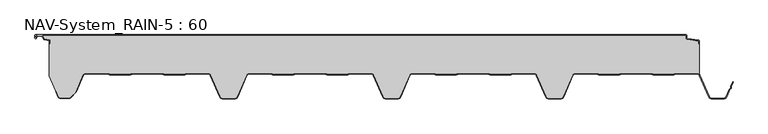
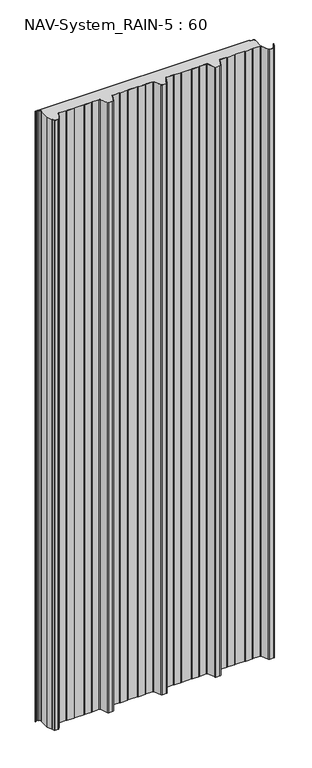
"""IFC4 building model written with IfcOpenShell, lengths in millimetres: plate geometry, NAV-System_RAIN-5 : 60."""

from ifc_helpers import new_model, si_unit, point, frame_2d, origin, origin_with_axes, place, context, project, spatial, polyline, circle_curve, trimmed, segment, composite_curve, outline, extrude, source, transform, mapped, element, save


def nav_system_rain_5_60_1857efdf(model_context):
    return source(origin(), model_context, "Body", "SweptSolid", [
        extrude(outline(composite_curve([segment(polyline([(519.0, -13.6767555), (518.2, -13.6767555), (518.2, -9.3721283), (500.4911207, -6.8818536)]), True, "CONTINUOUS"), segment(trimmed(circle_curve(frame_2d((500.7, -5.3964683)), 1.5), [point((500.4911207, -6.8818536))], [point((499.2, -5.3964683))], False, "CARTESIAN"), True, "CONTINUOUS"), segment(polyline([(499.2, -5.3964683), (499.2, -0.8), (-498.7, -0.8)]), True, "CONTINUOUS"), segment(trimmed(circle_curve(frame_2d((-498.7, -1.3)), 0.5), [point((-498.7, -0.8))], [point((-499.2, -1.3))], True, "CARTESIAN"), True, "CONTINUOUS"), segment(polyline([(-499.2, -1.3), (-499.2, -4.3700191)]), True, "CONTINUOUS"), segment(trimmed(circle_curve(frame_2d((-498.7, -4.3700191)), 0.5), [point((-499.2, -4.3700191))], [point((-498.2669873, -4.6200191))], True, "CARTESIAN"), True, "CONTINUOUS"), segment(polyline([(-498.2669873, -4.6200191), (-496.2924383, -1.2), (-488.9841833, -1.2), (-485.8164586, -6.6866602), (-477.2, -7.898332), (-477.2, -13.6767555), (-478.0, -13.6767555), (-478.0, -8.5937048), (-485.6863953, -7.5128213)]), True, "CONTINUOUS"), segment(trimmed(circle_curve(frame_2d((-485.5053666, -6.2254873)), 1.3), [point((-485.6863953, -7.5128213))], [point((-486.6311996, -6.8754873))], False, "CARTESIAN"), True, "CONTINUOUS"), segment(polyline([(-486.6311996, -6.8754873), (-489.4460636, -2.0), (-495.8305581, -2.0), (-497.574167, -5.0200191)]), True, "CONTINUOUS"), segment(trimmed(circle_curve(frame_2d((-498.7, -4.3700191)), 1.3), [point((-497.574167, -5.0200191))], [point((-500.0, -4.3700191))], False, "CARTESIAN"), True, "CONTINUOUS"), segment(polyline([(-500.0, -4.3700191), (-500.0, -1.3)]), True, "CONTINUOUS"), segment(trimmed(circle_curve(frame_2d((-498.7, -1.3)), 1.3), [point((-500.0, -1.3))], [point((-498.7, 0.0))], False, "CARTESIAN"), True, "CONTINUOUS"), segment(polyline([(-498.7, 0.0), (498.7, 0.0)]), True, "CONTINUOUS"), segment(trimmed(circle_curve(frame_2d((498.7, -1.3)), 1.3), [point((498.7, 0.0))], [point((500.0, -1.3))], False, "CARTESIAN"), True, "CONTINUOUS"), segment(polyline([(500.0, -1.3), (500.0, -5.3964683)]), True, "CONTINUOUS"), segment(trimmed(circle_curve(frame_2d((500.7, -5.3964683)), 0.7), [point((500.0, -5.3964683))], [point((500.602523, -6.0896481))], True, "CARTESIAN"), True, "CONTINUOUS"), segment(polyline([(500.602523, -6.0896481), (517.8810287, -8.5194024)]), True, "CONTINUOUS"), segment(trimmed(circle_curve(frame_2d((517.7, -9.8067363)), 1.3), [point((517.8810287, -8.5194024))], [point((519.0, -9.8067363))], False, "CARTESIAN"), True, "CONTINUOUS"), segment(polyline([(519.0, -9.8067363), (519.0, -13.6767555)]), True, "CONTINUOUS")], self_intersect=False)), origin_with_axes(), (0.0, 0.0, 1.0), 3000.0),
        extrude(outline(composite_curve([segment(trimmed(circle_curve(frame_2d((515.5898022, -64.0)), 4.8), [point((519.0, -60.6220493))], [point((515.5898022, -59.2))], True, "CARTESIAN"), True, "CONTINUOUS"), segment(polyline([(515.5898022, -59.2), (483.6922468, -59.2), (479.6508228, -60.7), (448.0723788, -60.6741102), (444.1768702, -59.2), (400.3589135, -59.2), (396.3174895, -60.7), (364.7390455, -60.6741102), (360.8435369, -59.2), (328.9416341, -59.2)]), True, "CONTINUOUS"), segment(trimmed(circle_curve(frame_2d((328.9416341, -64.0)), 4.8), [point((328.9416341, -59.2))], [point((324.5314363, -62.1052295))], True, "CARTESIAN"), True, "CONTINUOUS"), segment(polyline([(324.5314363, -62.1052295), (310.330878, -95.1579242)]), True, "CONTINUOUS"), segment(trimmed(circle_curve(frame_2d((306.4719549, -93.5)), 4.2), [point((310.330878, -95.1579242))], [point((306.4719549, -97.7))], False, "CARTESIAN"), True, "CONTINUOUS"), segment(polyline([(306.4719549, -97.7), (288.0594814, -97.7)]), True, "CONTINUOUS"), segment(trimmed(circle_curve(frame_2d((288.0594814, -93.5)), 4.2), [point((288.0594814, -97.7))], [point((284.2005583, -95.1579242))], False, "CARTESIAN"), True, "CONTINUOUS"), segment(polyline([(284.2005583, -95.1579242), (270.0, -62.1052295)]), True, "CONTINUOUS"), segment(trimmed(circle_curve(frame_2d((265.5898022, -64.0)), 4.8), [point((270.0, -62.1052295))], [point((265.5898022, -59.2))], True, "CARTESIAN"), True, "CONTINUOUS"), segment(polyline([(265.5898022, -59.2), (233.6922468, -59.2), (229.6508228, -60.7), (198.0723788, -60.6741102), (194.1768702, -59.2), (150.3589135, -59.2), (146.3174895, -60.7), (114.8074622, -60.7), (110.8435369, -59.2), (78.9416341, -59.2)]), True, "CONTINUOUS"), segment(trimmed(circle_curve(frame_2d((78.9416341, -64.0)), 4.8), [point((78.9416341, -59.2))], [point((74.5314363, -62.1052295))], True, "CARTESIAN"), True, "CONTINUOUS"), segment(polyline([(74.5314363, -62.1052295), (60.330878, -95.1579242)]), True, "CONTINUOUS"), segment(trimmed(circle_curve(frame_2d((56.4719549, -93.5)), 4.2), [point((60.330878, -95.1579242))], [point((56.4719549, -97.7))], False, "CARTESIAN"), True, "CONTINUOUS"), segment(polyline([(56.4719549, -97.7), (38.0594814, -97.7)]), True, "CONTINUOUS"), segment(trimmed(circle_curve(frame_2d((38.0594814, -93.5)), 4.2), [point((38.0594814, -97.7))], [point((34.2005583, -95.1579242))], False, "CARTESIAN"), True, "CONTINUOUS"), segment(polyline([(34.2005583, -95.1579242), (20.0, -62.1052295)]), True, "CONTINUOUS"), segment(trimmed(circle_curve(frame_2d((15.5898022, -64.0)), 4.8), [point((20.0, -62.1052295))], [point((15.5898022, -59.2))], True, "CARTESIAN"), True, "CONTINUOUS"), segment(polyline([(15.5898022, -59.2), (-16.3077532, -59.2), (-20.3491772, -60.7), (-51.9276212, -60.6741102), (-55.8231298, -59.2), (-99.6410865, -59.2), (-103.6825105, -60.7), (-135.1925378, -60.7), (-139.1564631, -59.2), (-171.0583659, -59.2)]), True, "CONTINUOUS"), segment(trimmed(circle_curve(frame_2d((-171.0583659, -64.0)), 4.8), [point((-171.0583659, -59.2))], [point((-175.4685637, -62.1052295))], True, "CARTESIAN"), True, "CONTINUOUS"), segment(polyline([(-175.4685637, -62.1052295), (-189.669122, -95.1579242)]), True, "CONTINUOUS"), segment(trimmed(circle_curve(frame_2d((-193.5280451, -93.5)), 4.2), [point((-189.669122, -95.1579242))], [point((-193.5280451, -97.7))], False, "CARTESIAN"), True, "CONTINUOUS"), segment(polyline([(-193.5280451, -97.7), (-211.9405186, -97.7)]), True, "CONTINUOUS"), segment(trimmed(circle_curve(frame_2d((-211.9405186, -93.5)), 4.2), [point((-211.9405186, -97.7))], [point((-215.7994417, -95.1579242))], False, "CARTESIAN"), True, "CONTINUOUS"), segment(polyline([(-215.7994417, -95.1579242), (-230.0, -62.1052295)]), True, "CONTINUOUS"), segment(trimmed(circle_curve(frame_2d((-234.4101978, -64.0)), 4.8), [point((-230.0, -62.1052295))], [point((-234.4101978, -59.2))], True, "CARTESIAN"), True, "CONTINUOUS"), segment(polyline([(-234.4101978, -59.2), (-266.3077532, -59.2), (-270.3491772, -60.7), (-301.9276212, -60.6741102), (-305.8231298, -59.2), (-349.6410865, -59.2), (-353.6825105, -60.7), (-385.1925378, -60.7), (-389.1564631, -59.2), (-421.9290751, -59.2)]), True, "CONTINUOUS"), segment(trimmed(circle_curve(frame_2d((-421.9290751, -64.0)), 4.8), [point((-421.9290751, -59.2))], [point((-426.3392729, -62.1052295))], True, "CARTESIAN"), True, "CONTINUOUS"), segment(polyline([(-426.3392729, -62.1052295), (-437.4245651, -87.9069459)]), True, "CONTINUOUS"), segment(trimmed(circle_curve(frame_2d((-441.2834882, -86.2490217)), 4.2), [point((-437.4245651, -87.9069459))], [point((-438.3136397, -89.2188701))], False, "CARTESIAN"), True, "CONTINUOUS"), segment(polyline([(-438.3136397, -89.2188701), (-444.764618, -95.6698485)]), True, "CONTINUOUS"), segment(trimmed(circle_curve(frame_2d((-447.7344665, -92.7)), 4.2), [point((-444.764618, -95.6698485))], [point((-447.7344665, -96.9))], False, "CARTESIAN"), True, "CONTINUOUS"), segment(polyline([(-447.7344665, -96.9), (-461.1405186, -96.9)]), True, "CONTINUOUS"), segment(trimmed(circle_curve(frame_2d((-461.1405186, -93.7)), 3.2), [point((-461.1405186, -96.9))], [point((-464.1022482, -94.9116756))], False, "CARTESIAN"), True, "CONTINUOUS"), segment(polyline([(-464.1022482, -94.9116756), (-467.6292254, -86.2905951), (-468.3696578, -86.593514), (-478.0, -63.053822), (-478.0, -13.6767555), (-477.2, -13.6767555), (-477.2, -7.898332), (-485.8164586, -6.6866602), (-488.9841833, -1.2), (-496.2924383, -1.2), (-498.2669873, -4.6200191)]), True, "CONTINUOUS"), segment(trimmed(circle_curve(frame_2d((-498.7, -4.3700191)), 0.5), [point((-498.2669873, -4.6200191))], [point((-499.2, -4.3700191))], False, "CARTESIAN"), True, "CONTINUOUS"), segment(polyline([(-499.2, -4.3700191), (-499.2, -1.3)]), True, "CONTINUOUS"), segment(trimmed(circle_curve(frame_2d((-498.7, -1.3)), 0.5), [point((-499.2, -1.3))], [point((-498.7, -0.8))], False, "CARTESIAN"), True, "CONTINUOUS"), segment(polyline([(-498.7, -0.8), (499.2, -0.8), (499.2, -5.3964683)]), True, "CONTINUOUS"), segment(trimmed(circle_curve(frame_2d((500.7, -5.3964683)), 1.5), [point((499.2, -5.3964683))], [point((500.4911207, -6.8818536))], True, "CARTESIAN"), True, "CONTINUOUS"), segment(polyline([(500.4911207, -6.8818536), (518.2, -9.3721283), (518.2, -13.6767555), (519.0, -13.6767555), (519.0, -60.6220493)]), True, "CONTINUOUS")], self_intersect=False)), origin_with_axes(), (0.0, 0.0, 1.0), 3000.0),
        extrude(outline(composite_curve([segment(polyline([(-464.8430228, -95.2145945), (-468.37, -86.593514), (-467.6295676, -86.2905951), (-464.1025904, -94.9116756)]), True, "CONTINUOUS"), segment(trimmed(circle_curve(frame_2d((-461.1408608, -93.7)), 3.2), [point((-464.1025904, -94.9116756))], [point((-461.1408608, -96.9))], True, "CARTESIAN"), True, "CONTINUOUS"), segment(polyline([(-461.1408608, -96.9), (-447.7348087, -96.9)]), True, "CONTINUOUS"), segment(trimmed(circle_curve(frame_2d((-447.7348087, -92.7)), 4.2), [point((-447.7348087, -96.9))], [point((-444.7649603, -95.6698485))], True, "CARTESIAN"), True, "CONTINUOUS"), segment(polyline([(-444.7649603, -95.6698485), (-438.3139819, -89.2188701)]), True, "CONTINUOUS"), segment(trimmed(circle_curve(frame_2d((-441.2838304, -86.2490217)), 4.2), [point((-438.3139819, -89.2188701))], [point((-437.4249073, -87.9069459))], True, "CARTESIAN"), True, "CONTINUOUS"), segment(polyline([(-437.4249073, -87.9069459), (-426.3396151, -62.1052295)]), True, "CONTINUOUS"), segment(trimmed(circle_curve(frame_2d((-421.9294173, -64.0)), 4.8), [point((-426.3396151, -62.1052295))], [point((-421.9294173, -59.2))], False, "CARTESIAN"), True, "CONTINUOUS"), segment(polyline([(-421.9294173, -59.2), (-389.1568054, -59.2), (-385.19288, -60.7), (-353.6828527, -60.7), (-349.6414287, -59.2), (-305.8234721, -59.2), (-301.9279634, -60.6741102), (-270.3495194, -60.7), (-266.3080954, -59.2), (-234.41054, -59.2)]), True, "CONTINUOUS"), segment(trimmed(circle_curve(frame_2d((-234.41054, -64.0)), 4.8), [point((-234.41054, -59.2))], [point((-230.0003422, -62.1052295))], False, "CARTESIAN"), True, "CONTINUOUS"), segment(polyline([(-230.0003422, -62.1052295), (-215.7997839, -95.1579242)]), True, "CONTINUOUS"), segment(trimmed(circle_curve(frame_2d((-211.9408608, -93.5)), 4.2), [point((-215.7997839, -95.1579242))], [point((-211.9408608, -97.7))], True, "CARTESIAN"), True, "CONTINUOUS"), segment(polyline([(-211.9408608, -97.7), (-193.5283873, -97.7)]), True, "CONTINUOUS"), segment(trimmed(circle_curve(frame_2d((-193.5283873, -93.5)), 4.2), [point((-193.5283873, -97.7))], [point((-189.6694642, -95.1579242))], True, "CARTESIAN"), True, "CONTINUOUS"), segment(polyline([(-189.6694642, -95.1579242), (-175.4689059, -62.1052295)]), True, "CONTINUOUS"), segment(trimmed(circle_curve(frame_2d((-171.0587081, -64.0)), 4.8), [point((-175.4689059, -62.1052295))], [point((-171.0587081, -59.2))], False, "CARTESIAN"), True, "CONTINUOUS"), segment(polyline([(-171.0587081, -59.2), (-139.1568054, -59.2), (-135.2612967, -60.6741102), (-103.6828527, -60.7), (-99.6414287, -59.2), (-55.8234721, -59.2), (-51.9279634, -60.6741102), (-20.3495194, -60.7), (-16.3080954, -59.2), (15.58946, -59.2)]), True, "CONTINUOUS"), segment(trimmed(circle_curve(frame_2d((15.58946, -64.0)), 4.8), [point((15.58946, -59.2))], [point((19.9996578, -62.1052295))], False, "CARTESIAN"), True, "CONTINUOUS"), segment(polyline([(19.9996578, -62.1052295), (34.2002161, -95.1579242)]), True, "CONTINUOUS"), segment(trimmed(circle_curve(frame_2d((38.0591392, -93.5)), 4.2), [point((34.2002161, -95.1579242))], [point((38.0591392, -97.7))], True, "CARTESIAN"), True, "CONTINUOUS"), segment(polyline([(38.0591392, -97.7), (56.4716127, -97.7)]), True, "CONTINUOUS"), segment(trimmed(circle_curve(frame_2d((56.4716127, -93.5)), 4.2), [point((56.4716127, -97.7))], [point((60.3305358, -95.1579242))], True, "CARTESIAN"), True, "CONTINUOUS"), segment(polyline([(60.3305358, -95.1579242), (74.5310941, -62.1052295)]), True, "CONTINUOUS"), segment(trimmed(circle_curve(frame_2d((78.9412919, -64.0)), 4.8), [point((74.5310941, -62.1052295))], [point((78.9412919, -59.2))], False, "CARTESIAN"), True, "CONTINUOUS"), segment(polyline([(78.9412919, -59.2), (110.8431946, -59.2), (114.7387033, -60.6741102), (146.3171473, -60.7), (150.3585713, -59.2), (194.1765279, -59.2), (198.0720366, -60.6741102), (229.6504806, -60.7), (233.6919046, -59.2), (265.58946, -59.2)]), True, "CONTINUOUS"), segment(trimmed(circle_curve(frame_2d((265.58946, -64.0)), 4.8), [point((265.58946, -59.2))], [point((269.9996578, -62.1052295))], False, "CARTESIAN"), True, "CONTINUOUS"), segment(polyline([(269.9996578, -62.1052295), (284.2002161, -95.1579242)]), True, "CONTINUOUS"), segment(trimmed(circle_curve(frame_2d((288.0591392, -93.5)), 4.2), [point((284.2002161, -95.1579242))], [point((288.0591392, -97.7))], True, "CARTESIAN"), True, "CONTINUOUS"), segment(polyline([(288.0591392, -97.7), (306.4716127, -97.7)]), True, "CONTINUOUS"), segment(trimmed(circle_curve(frame_2d((306.4716127, -93.5)), 4.2), [point((306.4716127, -97.7))], [point((310.3305358, -95.1579242))], True, "CARTESIAN"), True, "CONTINUOUS"), segment(polyline([(310.3305358, -95.1579242), (324.5310941, -62.1052295)]), True, "CONTINUOUS"), segment(trimmed(circle_curve(frame_2d((328.9412919, -64.0)), 4.8), [point((324.5310941, -62.1052295))], [point((328.9412919, -59.2))], False, "CARTESIAN"), True, "CONTINUOUS"), segment(polyline([(328.9412919, -59.2), (360.8431946, -59.2), (364.7387033, -60.6741102), (396.3171473, -60.7), (400.3585713, -59.2), (444.1765279, -59.2), (448.0720366, -60.6741102), (479.6504806, -60.7), (483.6919046, -59.2), (515.58946, -59.2)]), True, "CONTINUOUS"), segment(trimmed(circle_curve(frame_2d((515.58946, -64.0)), 4.8), [point((515.58946, -59.2))], [point((519.9996578, -62.1052295))], False, "CARTESIAN"), True, "CONTINUOUS"), segment(polyline([(519.9996578, -62.1052295), (534.2002161, -95.1579242)]), True, "CONTINUOUS"), segment(trimmed(circle_curve(frame_2d((538.0591392, -93.5)), 4.2), [point((534.2002161, -95.1579242))], [point((538.0591392, -97.7))], True, "CARTESIAN"), True, "CONTINUOUS"), segment(polyline([(538.0591392, -97.7), (556.4716127, -97.7)]), True, "CONTINUOUS"), segment(trimmed(circle_curve(frame_2d((556.4716127, -93.5)), 4.2), [point((556.4716127, -97.7))], [point((560.3305358, -95.1579242))], True, "CARTESIAN"), True, "CONTINUOUS"), segment(polyline([(560.3305358, -95.1579242), (565.2356202, -83.741031), (567.1121268, -82.0654564), (567.0358547, -79.5508717), (570.0831709, -72.458051), (570.8182039, -72.7738461), (567.8408612, -79.703799), (567.9230626, -82.4138642), (565.9006789, -84.2196957), (561.0655687, -95.4737193)]), True, "CONTINUOUS"), segment(trimmed(circle_curve(frame_2d((556.4716127, -93.5)), 5.0), [point((561.0655687, -95.4737193))], [point((556.4716127, -98.5))], False, "CARTESIAN"), True, "CONTINUOUS"), segment(polyline([(556.4716127, -98.5), (538.0591392, -98.5)]), True, "CONTINUOUS"), segment(trimmed(circle_curve(frame_2d((538.0591392, -93.5)), 5.0), [point((538.0591392, -98.5))], [point((533.4651831, -95.4737193))], False, "CARTESIAN"), True, "CONTINUOUS"), segment(polyline([(533.4651831, -95.4737193), (519.2646248, -62.4210246)]), True, "CONTINUOUS"), segment(trimmed(circle_curve(frame_2d((515.58946, -64.0)), 4.0), [point((519.2646248, -62.4210246))], [point((515.58946, -60.0))], True, "CARTESIAN"), True, "CONTINUOUS"), segment(polyline([(515.58946, -60.0), (483.8338601, -60.0), (479.8699347, -61.5), (447.9941505, -61.5), (444.0302251, -60.0), (400.5005268, -60.0), (396.5366014, -61.5), (364.6608172, -61.5), (360.6968918, -60.0), (328.9412919, -60.0)]), True, "CONTINUOUS"), segment(trimmed(circle_curve(frame_2d((328.9412919, -64.0)), 4.0), [point((328.9412919, -60.0))], [point((325.2661271, -62.4210246))], True, "CARTESIAN"), True, "CONTINUOUS"), segment(polyline([(325.2661271, -62.4210246), (311.0655687, -95.4737193)]), True, "CONTINUOUS"), segment(trimmed(circle_curve(frame_2d((306.4716127, -93.5)), 5.0), [point((311.0655687, -95.4737193))], [point((306.4716127, -98.5))], False, "CARTESIAN"), True, "CONTINUOUS"), segment(polyline([(306.4716127, -98.5), (288.0591392, -98.5)]), True, "CONTINUOUS"), segment(trimmed(circle_curve(frame_2d((288.0591392, -93.5)), 5.0), [point((288.0591392, -98.5))], [point((283.4651831, -95.4737193))], False, "CARTESIAN"), True, "CONTINUOUS"), segment(polyline([(283.4651831, -95.4737193), (269.2646248, -62.4210246)]), True, "CONTINUOUS"), segment(trimmed(circle_curve(frame_2d((265.58946, -64.0)), 4.0), [point((269.2646248, -62.4210246))], [point((265.58946, -60.0))], True, "CARTESIAN"), True, "CONTINUOUS"), segment(polyline([(265.58946, -60.0), (233.8338601, -60.0), (229.8699347, -61.5), (197.9941505, -61.5), (194.0302251, -60.0), (150.5005268, -60.0), (146.5366014, -61.5), (114.6608172, -61.5), (110.6968918, -60.0), (78.9412919, -60.0)]), True, "CONTINUOUS"), segment(trimmed(circle_curve(frame_2d((78.9412919, -64.0)), 4.0), [point((78.9412919, -60.0))], [point((75.2661271, -62.4210246))], True, "CARTESIAN"), True, "CONTINUOUS"), segment(polyline([(75.2661271, -62.4210246), (61.0655687, -95.4737193)]), True, "CONTINUOUS"), segment(trimmed(circle_curve(frame_2d((56.4716127, -93.5)), 5.0), [point((61.0655687, -95.4737193))], [point((56.4716127, -98.5))], False, "CARTESIAN"), True, "CONTINUOUS"), segment(polyline([(56.4716127, -98.5), (38.0591392, -98.5)]), True, "CONTINUOUS"), segment(trimmed(circle_curve(frame_2d((38.0591392, -93.5)), 5.0), [point((38.0591392, -98.5))], [point((33.4651831, -95.4737193))], False, "CARTESIAN"), True, "CONTINUOUS"), segment(polyline([(33.4651831, -95.4737193), (19.2646248, -62.4210246)]), True, "CONTINUOUS"), segment(trimmed(circle_curve(frame_2d((15.58946, -64.0)), 4.0), [point((19.2646248, -62.4210246))], [point((15.58946, -60.0))], True, "CARTESIAN"), True, "CONTINUOUS"), segment(polyline([(15.58946, -60.0), (-16.1661399, -60.0), (-20.1300653, -61.5), (-52.0058495, -61.5), (-55.9697749, -60.0), (-99.4994732, -60.0), (-103.4633986, -61.5), (-135.3391828, -61.5), (-139.3031082, -60.0), (-171.0587081, -60.0)]), True, "CONTINUOUS"), segment(trimmed(circle_curve(frame_2d((-171.0587081, -64.0)), 4.0), [point((-171.0587081, -60.0))], [point((-174.7338729, -62.4210246))], True, "CARTESIAN"), True, "CONTINUOUS"), segment(polyline([(-174.7338729, -62.4210246), (-188.9344313, -95.4737193)]), True, "CONTINUOUS"), segment(trimmed(circle_curve(frame_2d((-193.5283873, -93.5)), 5.0), [point((-188.9344313, -95.4737193))], [point((-193.5283873, -98.5))], False, "CARTESIAN"), True, "CONTINUOUS"), segment(polyline([(-193.5283873, -98.5), (-211.9408608, -98.5)]), True, "CONTINUOUS"), segment(trimmed(circle_curve(frame_2d((-211.9408608, -93.5)), 5.0), [point((-211.9408608, -98.5))], [point((-216.5348169, -95.4737193))], False, "CARTESIAN"), True, "CONTINUOUS"), segment(polyline([(-216.5348169, -95.4737193), (-230.7353752, -62.4210246)]), True, "CONTINUOUS"), segment(trimmed(circle_curve(frame_2d((-234.41054, -64.0)), 4.0), [point((-230.7353752, -62.4210246))], [point((-234.41054, -60.0))], True, "CARTESIAN"), True, "CONTINUOUS"), segment(polyline([(-234.41054, -60.0), (-266.1661399, -60.0), (-270.1300653, -61.5), (-302.0058495, -61.5), (-305.9697749, -60.0), (-349.4994732, -60.0), (-353.4633986, -61.5), (-385.3391828, -61.5), (-389.3031082, -60.0), (-421.9294173, -60.0)]), True, "CONTINUOUS"), segment(trimmed(circle_curve(frame_2d((-421.9294173, -64.0)), 4.0), [point((-421.9294173, -60.0))], [point((-425.6045822, -62.4210246))], True, "CARTESIAN"), True, "CONTINUOUS"), segment(polyline([(-425.6045822, -62.4210246), (-436.6898744, -88.2227409)]), True, "CONTINUOUS"), segment(trimmed(circle_curve(frame_2d((-441.2838304, -86.2490217)), 5.0), [point((-436.6898744, -88.2227409))], [point((-437.7482965, -89.7845556))], False, "CARTESIAN"), True, "CONTINUOUS"), segment(polyline([(-437.7482965, -89.7845556), (-444.1992748, -96.2355339)]), True, "CONTINUOUS"), segment(trimmed(circle_curve(frame_2d((-447.7348087, -92.7)), 5.0), [point((-444.1992748, -96.2355339))], [point((-447.7348087, -97.7))], False, "CARTESIAN"), True, "CONTINUOUS"), segment(polyline([(-447.7348087, -97.7), (-461.1408608, -97.7)]), True, "CONTINUOUS"), segment(trimmed(circle_curve(frame_2d((-461.1408608, -93.7)), 4.0), [point((-461.1408608, -97.7))], [point((-464.8430228, -95.2145945))], False, "CARTESIAN"), True, "CONTINUOUS")], self_intersect=False)), origin_with_axes(), (0.0, 0.0, 1.0), 3000.0),
    ])


if __name__ == "__main__":
    model = new_model("IFC4")
    model_context = context("Model", 3, world=origin())
    ifc_project = project(units=[si_unit("LENGTHUNIT", "METRE", prefix="MILLI")], contexts=[model_context])
    site = spatial("IfcSite", under=ifc_project)
    building = spatial("IfcBuilding", under=site)
    placement = place(None, origin())
    nav_system_rain_5_60_shape = nav_system_rain_5_60_1857efdf(model_context)
    element("IfcPlate", 1, ObjectType="NAV-System_RAIN-5 : 60", at=placement, inside=building, context=model_context, shape_type="MappedRepresentation", body=[
        mapped(nav_system_rain_5_60_shape, transform((0.0, 0.0, 0.0), x_axis=(1.0, 0.0, 0.0), y_axis=(0.0, 1.0, 0.0), z_axis=(0.0, 0.0, 1.0))),
    ])
    save(model, "model.ifc")
